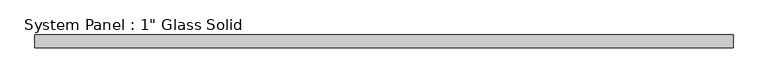
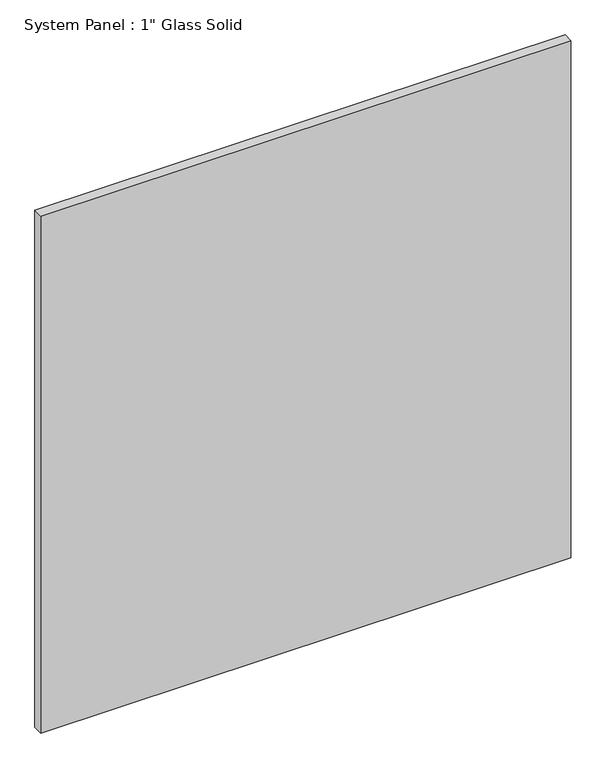
"""IFC4 building model written with IfcOpenShell, lengths in millimetres: plate geometry."""

from ifc_helpers import new_model, si_unit, origin, origin_with_axes, place, context, project, spatial, polyline, outline, extrude, source, transform, mapped, element, save


def plate_ae8dd549(model_context):
    return source(origin(), model_context, "Body", "SweptSolid", [
        extrude(outline(polyline([(687.4389199, -12.7), (-687.4389199, -12.7), (-687.4389199, 12.7), (687.4389199, 12.7), (687.4389199, -12.7)])), origin_with_axes(), (0.0, 0.0, 1.0), 1417.3217704),
    ])


if __name__ == "__main__":
    model = new_model("IFC4")
    model_context = context("Model", 3, world=origin())
    ifc_project = project(units=[si_unit("LENGTHUNIT", "METRE", prefix="MILLI")], contexts=[model_context])
    site = spatial("IfcSite", under=ifc_project)
    building = spatial("IfcBuilding", under=site)
    placement = place(None, origin())
    plate_shape = plate_ae8dd549(model_context)
    element("IfcPlate", 1, ObjectType="System Panel : 1\" Glass Solid", at=placement, inside=building, context=model_context, shape_type="MappedRepresentation", body=[
        mapped(plate_shape, transform((0.0, 0.0, 0.0), x_axis=(1.0, 0.0, 0.0), y_axis=(0.0, 1.0, 0.0), z_axis=(0.0, 0.0, 1.0))),
    ])
    save(model, "model.ifc")
